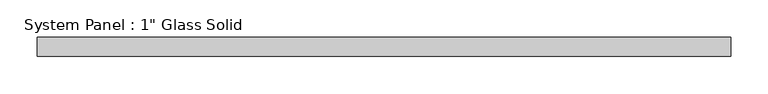
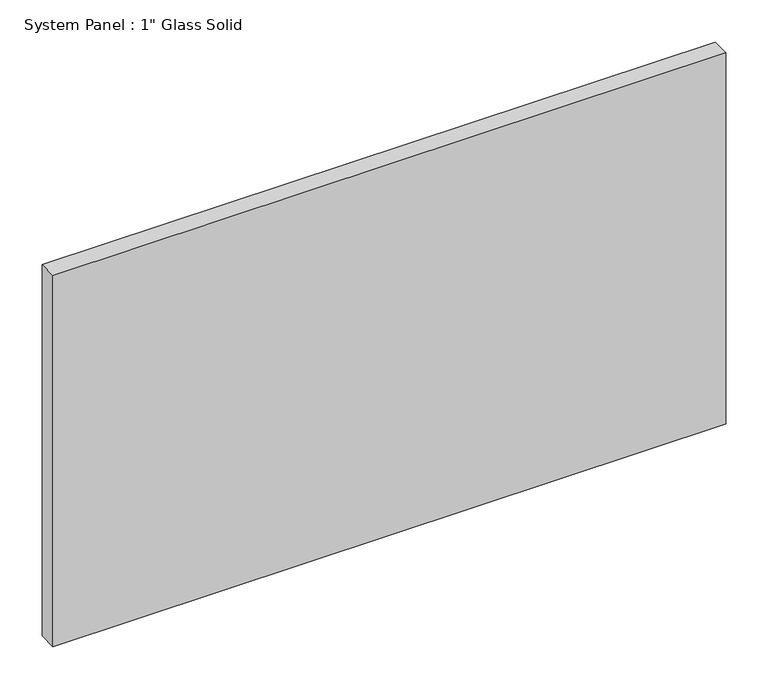
"""IFC4 building model written with IfcOpenShell, lengths in millimetres: plate geometry."""

from ifc_helpers import new_model, si_unit, origin, origin_with_axes, place, context, project, spatial, polyline, outline, extrude, source, transform, mapped, element, save


def plate_2a89d449(model_context):
    return source(origin(), model_context, "Body", "SweptSolid", [
        extrude(outline(polyline([(462.75625, -12.7), (-462.75625, -12.7), (-462.75625, 12.7), (462.75625, 12.7), (462.75625, -12.7)])), origin_with_axes(), (0.0, 0.0, 1.0), 539.7535408),
    ])


if __name__ == "__main__":
    model = new_model("IFC4")
    model_context = context("Model", 3, world=origin())
    ifc_project = project(units=[si_unit("LENGTHUNIT", "METRE", prefix="MILLI")], contexts=[model_context])
    site = spatial("IfcSite", under=ifc_project)
    building = spatial("IfcBuilding", under=site)
    placement = place(None, origin())
    plate_shape = plate_2a89d449(model_context)
    element("IfcPlate", 1, ObjectType="System Panel : 1\" Glass Solid", at=placement, inside=building, context=model_context, shape_type="MappedRepresentation", body=[
        mapped(plate_shape, transform((0.0, 0.0, 0.0), x_axis=(1.0, 0.0, 0.0), y_axis=(0.0, 1.0, 0.0), z_axis=(0.0, 0.0, 1.0))),
    ])
    save(model, "model.ifc")
